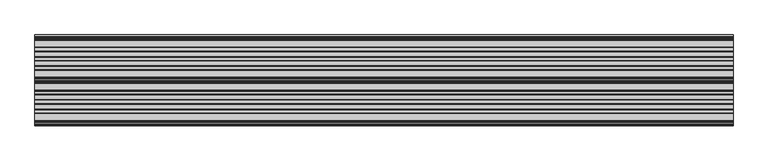
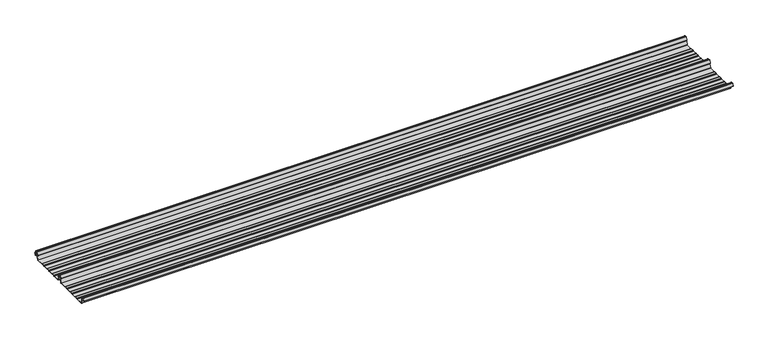
"""IFC4 building model written with IfcOpenShell, lengths in millimetres: beam geometry."""

from ifc_helpers import new_model, si_unit, point, frame, frame_2d, origin, place, context, project, spatial, polyline, circle_curve, trimmed, segment, composite_curve, outline, extrude, source, transform, mapped, element, save


def beam_9561e474(model_context):
    return source(origin(), model_context, "Body", "SweptSolid", [
        extrude(outline(composite_curve([segment(trimmed(circle_curve(frame_2d((-231.1362436, -24.0396475)), 1.75), [point((-231.1362436, -25.7896475))], [point((-232.7807057, -24.6381827))], False, "CARTESIAN"), True, "CONTINUOUS"), segment(polyline([(-232.7807057, -24.6381827), (-241.6888002, -2.1633943)]), True, "CONTINUOUS"), segment(trimmed(circle_curve(frame_2d((-240.0443381, -1.5648591)), 1.75), [point((-241.6888002, -2.1633943))], [point((-240.4972714, 0.1255111))], False, "CARTESIAN"), True, "CONTINUOUS"), segment(polyline([(-240.4972714, 0.1255111), (-237.8419476, 0.837003)]), True, "CONTINUOUS"), segment(trimmed(circle_curve(frame_2d((-238.1654714, 2.0444103)), 1.25), [point((-237.8419476, 0.837003))], [point((-236.9908556, 2.4719355))], True, "CARTESIAN"), True, "CONTINUOUS"), segment(polyline([(-236.9908556, 2.4719355), (-243.8110817, 21.2103525), (-250.0, 21.2103525), (-256.1889183, 21.2103525), (-263.0091444, 2.4719355)]), True, "CONTINUOUS"), segment(trimmed(circle_curve(frame_2d((-261.8345286, 2.0444103)), 1.25), [point((-263.0091444, 2.4719355))], [point((-262.1580524, 0.837003))], True, "CARTESIAN"), True, "CONTINUOUS"), segment(polyline([(-262.1580524, 0.837003), (-259.5027286, 0.1255111)]), True, "CONTINUOUS"), segment(trimmed(circle_curve(frame_2d((-259.9556619, -1.5648591)), 1.75), [point((-259.5027286, 0.1255111))], [point((-258.3111998, -2.1633943))], False, "CARTESIAN"), True, "CONTINUOUS"), segment(polyline([(-258.3111998, -2.1633943), (-267.2192943, -24.6381827)]), True, "CONTINUOUS"), segment(trimmed(circle_curve(frame_2d((-268.8637564, -24.0396475)), 1.75), [point((-267.2192943, -24.6381827))], [point((-268.8637564, -25.7896475))], False, "CARTESIAN"), True, "CONTINUOUS"), segment(polyline([(-268.8637564, -25.7896475), (-307.3786797, -25.7896475)]), True, "CONTINUOUS"), segment(trimmed(circle_curve(frame_2d((-307.3786797, -24.0396475)), 1.75), [point((-307.3786797, -25.7896475))], [point((-308.6161165, -25.2770843))], False, "CARTESIAN"), True, "CONTINUOUS"), segment(polyline([(-308.6161165, -25.2770843), (-310.7788845, -23.1143163)]), True, "CONTINUOUS"), segment(trimmed(circle_curve(frame_2d((-311.5627045, -23.8981363)), 1.1084889), [point((-310.7788845, -23.1143163))], [point((-311.5627045, -22.7896475))], True, "CARTESIAN"), True, "CONTINUOUS"), segment(polyline([(-311.5627045, -22.7896475), (-330.4372955, -22.7896475)]), True, "CONTINUOUS"), segment(trimmed(circle_curve(frame_2d((-330.4372955, -23.8981363)), 1.1084889), [point((-330.4372955, -22.7896475))], [point((-331.2211155, -23.1143163))], True, "CARTESIAN"), True, "CONTINUOUS"), segment(polyline([(-331.2211155, -23.1143163), (-333.3838835, -25.2770843)]), True, "CONTINUOUS"), segment(trimmed(circle_curve(frame_2d((-334.6213203, -24.0396475)), 1.75), [point((-333.3838835, -25.2770843))], [point((-334.6213203, -25.7896475))], False, "CARTESIAN"), True, "CONTINUOUS"), segment(polyline([(-334.6213203, -25.7896475), (-361.3786797, -25.7896475)]), True, "CONTINUOUS"), segment(trimmed(circle_curve(frame_2d((-361.3786797, -24.0396475)), 1.75), [point((-361.3786797, -25.7896475))], [point((-362.6161165, -25.2770843))], False, "CARTESIAN"), True, "CONTINUOUS"), segment(polyline([(-362.6161165, -25.2770843), (-364.7788845, -23.1143163)]), True, "CONTINUOUS"), segment(trimmed(circle_curve(frame_2d((-365.5627045, -23.8981363)), 1.1084889), [point((-364.7788845, -23.1143163))], [point((-365.5627045, -22.7896475))], True, "CARTESIAN"), True, "CONTINUOUS"), segment(polyline([(-365.5627045, -22.7896475), (-384.4372955, -22.7896475)]), True, "CONTINUOUS"), segment(trimmed(circle_curve(frame_2d((-384.4372955, -23.8981363)), 1.1084889), [point((-384.4372955, -22.7896475))], [point((-385.2211155, -23.1143163))], True, "CARTESIAN"), True, "CONTINUOUS"), segment(polyline([(-385.2211155, -23.1143163), (-387.3838835, -25.2770843)]), True, "CONTINUOUS"), segment(trimmed(circle_curve(frame_2d((-388.6213203, -24.0396475)), 1.75), [point((-387.3838835, -25.2770843))], [point((-388.6213203, -25.7896475))], False, "CARTESIAN"), True, "CONTINUOUS"), segment(polyline([(-388.6213203, -25.7896475), (-415.3786797, -25.7896475)]), True, "CONTINUOUS"), segment(trimmed(circle_curve(frame_2d((-415.3786797, -24.0396475)), 1.75), [point((-415.3786797, -25.7896475))], [point((-416.6161165, -25.2770843))], False, "CARTESIAN"), True, "CONTINUOUS"), segment(polyline([(-416.6161165, -25.2770843), (-418.7788845, -23.1143163)]), True, "CONTINUOUS"), segment(trimmed(circle_curve(frame_2d((-419.5627045, -23.8981363)), 1.1084889), [point((-418.7788845, -23.1143163))], [point((-419.5627045, -22.7896475))], True, "CARTESIAN"), True, "CONTINUOUS"), segment(polyline([(-419.5627045, -22.7896475), (-438.4372955, -22.7896475)]), True, "CONTINUOUS"), segment(trimmed(circle_curve(frame_2d((-438.4372955, -23.8981363)), 1.1084889), [point((-438.4372955, -22.7896475))], [point((-439.2211155, -23.1143163))], True, "CARTESIAN"), True, "CONTINUOUS"), segment(polyline([(-439.2211155, -23.1143163), (-441.3838835, -25.2770843)]), True, "CONTINUOUS"), segment(trimmed(circle_curve(frame_2d((-442.6213203, -24.0396475)), 1.75), [point((-441.3838835, -25.2770843))], [point((-442.6213203, -25.7896475))], False, "CARTESIAN"), True, "CONTINUOUS"), segment(polyline([(-442.6213203, -25.7896475), (-483.287616, -25.7896475)]), True, "CONTINUOUS"), segment(trimmed(circle_curve(frame_2d((-483.287616, -24.0396475)), 1.75), [point((-483.287616, -25.7896475))], [point((-484.8955882, -24.7302452))], False, "CARTESIAN"), True, "CONTINUOUS"), segment(polyline([(-484.8955882, -24.7302452), (-493.5565428, -2.8789816)]), True, "CONTINUOUS"), segment(trimmed(circle_curve(frame_2d((-490.0443381, -1.5648591)), 3.75), [point((-493.5565428, -2.8789816))], [point((-490.3464639, 2.1729504))], False, "CARTESIAN"), True, "CONTINUOUS"), segment(trimmed(circle_curve(frame_2d((-490.426413, 3.162057)), 0.9923325), [point((-490.3464639, 2.1729504))], [point((-489.4939255, 3.5014547))], True, "CARTESIAN"), True, "CONTINUOUS"), segment(polyline([(-489.4939255, 3.5014547), (-494.9720116, 18.5523727)]), True, "CONTINUOUS"), segment(trimmed(circle_curve(frame_2d((-495.9117043, 18.2103525)), 1.0), [point((-494.9720116, 18.5523727))], [point((-495.9117043, 19.2103525))], True, "CARTESIAN"), True, "CONTINUOUS"), segment(polyline([(-495.9117043, 19.2103525), (-504.0882957, 19.2103525)]), True, "CONTINUOUS"), segment(trimmed(circle_curve(frame_2d((-504.0882957, 18.2103525)), 1.0), [point((-504.0882957, 19.2103525))], [point((-505.0279884, 18.5523727))], True, "CARTESIAN"), True, "CONTINUOUS"), segment(polyline([(-505.0279884, 18.5523727), (-510.4799156, 3.5733257)]), True, "CONTINUOUS"), segment(trimmed(circle_curve(frame_2d((-510.9497619, 3.7443357)), 0.5), [point((-510.4799156, 3.5733257))], [point((-511.4196082, 3.9153458))], False, "CARTESIAN"), True, "CONTINUOUS"), segment(polyline([(-511.4196082, 3.9153458), (-505.967681, 18.8943928)]), True, "CONTINUOUS"), segment(trimmed(circle_curve(frame_2d((-504.0882957, 18.2103525)), 2.0), [point((-505.967681, 18.8943928))], [point((-504.0882957, 20.2103525))], False, "CARTESIAN"), True, "CONTINUOUS"), segment(polyline([(-504.0882957, 20.2103525), (-495.9117043, 20.2103525)]), True, "CONTINUOUS"), segment(trimmed(circle_curve(frame_2d((-495.9117043, 18.2103525)), 2.0), [point((-495.9117043, 20.2103525))], [point((-494.032319, 18.8943928))], False, "CARTESIAN"), True, "CONTINUOUS"), segment(polyline([(-494.032319, 18.8943928), (-488.5542329, 3.8434749)]), True, "CONTINUOUS"), segment(trimmed(circle_curve(frame_2d((-490.426413, 3.162057)), 1.9923325), [point((-488.5542329, 3.8434749))], [point((-490.265897, 1.1762012))], False, "CARTESIAN"), True, "CONTINUOUS"), segment(trimmed(circle_curve(frame_2d((-490.0443381, -1.5648591)), 2.75), [point((-490.265897, 1.1762012))], [point((-492.6230664, -2.5201915))], True, "CARTESIAN"), True, "CONTINUOUS"), segment(polyline([(-492.6230664, -2.5201915), (-483.9722515, -24.3458733)]), True, "CONTINUOUS"), segment(trimmed(circle_curve(frame_2d((-483.287616, -24.0396475)), 0.75), [point((-483.9722515, -24.3458733))], [point((-483.287616, -24.7896475))], True, "CARTESIAN"), True, "CONTINUOUS"), segment(polyline([(-483.287616, -24.7896475), (-442.7420401, -24.7896475)]), True, "CONTINUOUS"), segment(trimmed(circle_curve(frame_2d((-442.7420401, -23.7482041)), 1.0414433), [point((-442.7420401, -24.7896475))], [point((-442.0056285, -24.4846158))], True, "CARTESIAN"), True, "CONTINUOUS"), segment(polyline([(-442.0056285, -24.4846158), (-439.9696699, -22.4486572)]), True, "CONTINUOUS"), segment(trimmed(circle_curve(frame_2d((-438.3786797, -24.0396475)), 2.25), [point((-439.9696699, -22.4486572))], [point((-438.3786797, -21.7896475))], False, "CARTESIAN"), True, "CONTINUOUS"), segment(polyline([(-438.3786797, -21.7896475), (-419.6213203, -21.7896475)]), True, "CONTINUOUS"), segment(trimmed(circle_curve(frame_2d((-419.6213203, -24.0396475)), 2.25), [point((-419.6213203, -21.7896475))], [point((-418.0303301, -22.4486572))], False, "CARTESIAN"), True, "CONTINUOUS"), segment(polyline([(-418.0303301, -22.4486572), (-415.9943715, -24.4846158)]), True, "CONTINUOUS"), segment(trimmed(circle_curve(frame_2d((-415.2579599, -23.7482041)), 1.0414433), [point((-415.9943715, -24.4846158))], [point((-415.2579599, -24.7896475))], True, "CARTESIAN"), True, "CONTINUOUS"), segment(polyline([(-415.2579599, -24.7896475), (-388.7420401, -24.7896475)]), True, "CONTINUOUS"), segment(trimmed(circle_curve(frame_2d((-388.7420401, -23.7482041)), 1.0414433), [point((-388.7420401, -24.7896475))], [point((-388.0056285, -24.4846158))], True, "CARTESIAN"), True, "CONTINUOUS"), segment(polyline([(-388.0056285, -24.4846158), (-385.9696699, -22.4486572)]), True, "CONTINUOUS"), segment(trimmed(circle_curve(frame_2d((-384.3786797, -24.0396475)), 2.25), [point((-385.9696699, -22.4486572))], [point((-384.3786797, -21.7896475))], False, "CARTESIAN"), True, "CONTINUOUS"), segment(polyline([(-384.3786797, -21.7896475), (-365.6213203, -21.7896475)]), True, "CONTINUOUS"), segment(trimmed(circle_curve(frame_2d((-365.6213203, -24.0396475)), 2.25), [point((-365.6213203, -21.7896475))], [point((-364.0303301, -22.4486572))], False, "CARTESIAN"), True, "CONTINUOUS"), segment(polyline([(-364.0303301, -22.4486572), (-361.9943715, -24.4846158)]), True, "CONTINUOUS"), segment(trimmed(circle_curve(frame_2d((-361.2579599, -23.7482041)), 1.0414433), [point((-361.9943715, -24.4846158))], [point((-361.2579599, -24.7896475))], True, "CARTESIAN"), True, "CONTINUOUS"), segment(polyline([(-361.2579599, -24.7896475), (-334.7420401, -24.7896475)]), True, "CONTINUOUS"), segment(trimmed(circle_curve(frame_2d((-334.7420401, -23.7482041)), 1.0414433), [point((-334.7420401, -24.7896475))], [point((-334.0056285, -24.4846158))], True, "CARTESIAN"), True, "CONTINUOUS"), segment(polyline([(-334.0056285, -24.4846158), (-331.9696699, -22.4486572)]), True, "CONTINUOUS"), segment(trimmed(circle_curve(frame_2d((-330.3786797, -24.0396475)), 2.25), [point((-331.9696699, -22.4486572))], [point((-330.3786797, -21.7896475))], False, "CARTESIAN"), True, "CONTINUOUS"), segment(polyline([(-330.3786797, -21.7896475), (-311.6213203, -21.7896475)]), True, "CONTINUOUS"), segment(trimmed(circle_curve(frame_2d((-311.6213203, -24.0396475)), 2.25), [point((-311.6213203, -21.7896475))], [point((-310.0303301, -22.4486572))], False, "CARTESIAN"), True, "CONTINUOUS"), segment(polyline([(-310.0303301, -22.4486572), (-307.9943715, -24.4846158)]), True, "CONTINUOUS"), segment(trimmed(circle_curve(frame_2d((-307.2579599, -23.7482041)), 1.0414433), [point((-307.9943715, -24.4846158))], [point((-307.2579599, -24.7896475))], True, "CARTESIAN"), True, "CONTINUOUS"), segment(polyline([(-307.2579599, -24.7896475), (-268.8637564, -24.7896475)]), True, "CONTINUOUS"), segment(trimmed(circle_curve(frame_2d((-268.8637564, -24.0396475)), 0.75), [point((-268.8637564, -24.7896475))], [point((-268.1552359, -24.2856122))], True, "CARTESIAN"), True, "CONTINUOUS"), segment(polyline([(-268.1552359, -24.2856122), (-259.2471414, -1.8108238)]), True, "CONTINUOUS"), segment(trimmed(circle_curve(frame_2d((-259.9556619, -1.5648591)), 0.75), [point((-259.2471414, -1.8108238))], [point((-259.7615476, -0.8404147))], True, "CARTESIAN"), True, "CONTINUOUS"), segment(polyline([(-259.7615476, -0.8404147), (-262.4168715, -0.1289228)]), True, "CONTINUOUS"), segment(trimmed(circle_curve(frame_2d((-261.8345286, 2.0444103)), 2.25), [point((-262.4168715, -0.1289228))], [point((-263.948837, 2.8139556))], False, "CARTESIAN"), True, "CONTINUOUS"), segment(polyline([(-263.948837, 2.8139556), (-257.1273286, 21.5558959)]), True, "CONTINUOUS"), segment(trimmed(circle_curve(frame_2d((-256.1926676, 21.2157071)), 0.9946455), [point((-257.1273286, 21.5558959))], [point((-256.1926676, 22.2103525))], False, "CARTESIAN"), True, "CONTINUOUS"), segment(polyline([(-256.1926676, 22.2103525), (-250.0, 22.2103525), (-243.8073324, 22.2103525)]), True, "CONTINUOUS"), segment(trimmed(circle_curve(frame_2d((-243.8073324, 21.2157071)), 0.9946455), [point((-243.8073324, 22.2103525))], [point((-242.8726714, 21.5558959))], False, "CARTESIAN"), True, "CONTINUOUS"), segment(polyline([(-242.8726714, 21.5558959), (-236.051163, 2.8139556)]), True, "CONTINUOUS"), segment(trimmed(circle_curve(frame_2d((-238.1654714, 2.0444103)), 2.25), [point((-236.051163, 2.8139556))], [point((-237.5831285, -0.1289228))], False, "CARTESIAN"), True, "CONTINUOUS"), segment(polyline([(-237.5831285, -0.1289228), (-240.2384524, -0.8404147)]), True, "CONTINUOUS"), segment(trimmed(circle_curve(frame_2d((-240.0443381, -1.5648591)), 0.75), [point((-240.2384524, -0.8404147))], [point((-240.7528586, -1.8108238))], True, "CARTESIAN"), True, "CONTINUOUS"), segment(polyline([(-240.7528586, -1.8108238), (-231.8447641, -24.2856122)]), True, "CONTINUOUS"), segment(trimmed(circle_curve(frame_2d((-231.1362436, -24.0396475)), 0.75), [point((-231.8447641, -24.2856122))], [point((-231.1362436, -24.7896475))], True, "CARTESIAN"), True, "CONTINUOUS"), segment(polyline([(-231.1362436, -24.7896475), (-192.7420401, -24.7896475)]), True, "CONTINUOUS"), segment(trimmed(circle_curve(frame_2d((-192.7420401, -23.7482041)), 1.0414433), [point((-192.7420401, -24.7896475))], [point((-192.0056285, -24.4846158))], True, "CARTESIAN"), True, "CONTINUOUS"), segment(polyline([(-192.0056285, -24.4846158), (-189.9696699, -22.4486572)]), True, "CONTINUOUS"), segment(trimmed(circle_curve(frame_2d((-188.3786797, -24.0396475)), 2.25), [point((-189.9696699, -22.4486572))], [point((-188.3786797, -21.7896475))], False, "CARTESIAN"), True, "CONTINUOUS"), segment(polyline([(-188.3786797, -21.7896475), (-169.6213203, -21.7896475)]), True, "CONTINUOUS"), segment(trimmed(circle_curve(frame_2d((-169.6213203, -24.0396475)), 2.25), [point((-169.6213203, -21.7896475))], [point((-168.0303301, -22.4486572))], False, "CARTESIAN"), True, "CONTINUOUS"), segment(polyline([(-168.0303301, -22.4486572), (-165.9943715, -24.4846158)]), True, "CONTINUOUS"), segment(trimmed(circle_curve(frame_2d((-165.2579599, -23.7482041)), 1.0414433), [point((-165.9943715, -24.4846158))], [point((-165.2579599, -24.7896475))], True, "CARTESIAN"), True, "CONTINUOUS"), segment(polyline([(-165.2579599, -24.7896475), (-138.7420401, -24.7896475)]), True, "CONTINUOUS"), segment(trimmed(circle_curve(frame_2d((-138.7420401, -23.7482041)), 1.0414433), [point((-138.7420401, -24.7896475))], [point((-138.0056285, -24.4846158))], True, "CARTESIAN"), True, "CONTINUOUS"), segment(polyline([(-138.0056285, -24.4846158), (-135.9696699, -22.4486572)]), True, "CONTINUOUS"), segment(trimmed(circle_curve(frame_2d((-134.3786797, -24.0396475)), 2.25), [point((-135.9696699, -22.4486572))], [point((-134.3786797, -21.7896475))], False, "CARTESIAN"), True, "CONTINUOUS"), segment(polyline([(-134.3786797, -21.7896475), (-115.6213203, -21.7896475)]), True, "CONTINUOUS"), segment(trimmed(circle_curve(frame_2d((-115.6213203, -24.0396475)), 2.25), [point((-115.6213203, -21.7896475))], [point((-114.0303301, -22.4486572))], False, "CARTESIAN"), True, "CONTINUOUS"), segment(polyline([(-114.0303301, -22.4486572), (-111.9943715, -24.4846158)]), True, "CONTINUOUS"), segment(trimmed(circle_curve(frame_2d((-111.2579599, -23.7482041)), 1.0414433), [point((-111.9943715, -24.4846158))], [point((-111.2579599, -24.7896475))], True, "CARTESIAN"), True, "CONTINUOUS"), segment(polyline([(-111.2579599, -24.7896475), (-84.7420401, -24.7896475)]), True, "CONTINUOUS"), segment(trimmed(circle_curve(frame_2d((-84.7420401, -23.7482041)), 1.0414433), [point((-84.7420401, -24.7896475))], [point((-84.0056285, -24.4846158))], True, "CARTESIAN"), True, "CONTINUOUS"), segment(polyline([(-84.0056285, -24.4846158), (-81.9696699, -22.4486572)]), True, "CONTINUOUS"), segment(trimmed(circle_curve(frame_2d((-80.3786797, -24.0396475)), 2.25), [point((-81.9696699, -22.4486572))], [point((-80.3786797, -21.7896475))], False, "CARTESIAN"), True, "CONTINUOUS"), segment(polyline([(-80.3786797, -21.7896475), (-61.6213203, -21.7896475)]), True, "CONTINUOUS"), segment(trimmed(circle_curve(frame_2d((-61.6213203, -24.0396475)), 2.25), [point((-61.6213203, -21.7896475))], [point((-60.0303301, -22.4486572))], False, "CARTESIAN"), True, "CONTINUOUS"), segment(polyline([(-60.0303301, -22.4486572), (-57.9943715, -24.4846158)]), True, "CONTINUOUS"), segment(trimmed(circle_curve(frame_2d((-57.2579599, -23.7482041)), 1.0414433), [point((-57.9943715, -24.4846158))], [point((-57.2579599, -24.7896475))], True, "CARTESIAN"), True, "CONTINUOUS"), segment(polyline([(-57.2579599, -24.7896475), (-18.8637564, -24.7896475)]), True, "CONTINUOUS"), segment(trimmed(circle_curve(frame_2d((-18.8637564, -24.0396475)), 0.75), [point((-18.8637564, -24.7896475))], [point((-18.1552359, -24.2856122))], True, "CARTESIAN"), True, "CONTINUOUS"), segment(polyline([(-18.1552359, -24.2856122), (-9.2471414, -1.8108238)]), True, "CONTINUOUS"), segment(trimmed(circle_curve(frame_2d((-9.9556619, -1.5648591)), 0.75), [point((-9.2471414, -1.8108238))], [point((-9.7615476, -0.8404147))], True, "CARTESIAN"), True, "CONTINUOUS"), segment(polyline([(-9.7615476, -0.8404147), (-12.4168715, -0.1289228)]), True, "CONTINUOUS"), segment(trimmed(circle_curve(frame_2d((-11.8345286, 2.0444103)), 2.25), [point((-12.4168715, -0.1289228))], [point((-13.948837, 2.8139556))], False, "CARTESIAN"), True, "CONTINUOUS"), segment(polyline([(-13.948837, 2.8139556), (-7.1273286, 21.5558959)]), True, "CONTINUOUS"), segment(trimmed(circle_curve(frame_2d((-6.1926676, 21.2157071)), 0.9946455), [point((-7.1273286, 21.5558959))], [point((-6.1926676, 22.2103525))], False, "CARTESIAN"), True, "CONTINUOUS"), segment(polyline([(-6.1926676, 22.2103525), (0.0, 22.2103525), (6.1926676, 22.2103525)]), True, "CONTINUOUS"), segment(trimmed(circle_curve(frame_2d((6.1926676, 21.2157071)), 0.9946455), [point((6.1926676, 22.2103525))], [point((7.1273286, 21.5558959))], False, "CARTESIAN"), True, "CONTINUOUS"), segment(polyline([(7.1273286, 21.5558959), (13.948837, 2.8139556)]), True, "CONTINUOUS"), segment(trimmed(circle_curve(frame_2d((11.8345286, 2.0444103)), 2.25), [point((13.948837, 2.8139556))], [point((12.4168715, -0.1289228))], False, "CARTESIAN"), True, "CONTINUOUS"), segment(polyline([(12.4168715, -0.1289228), (9.7615476, -0.8404147)]), True, "CONTINUOUS"), segment(trimmed(circle_curve(frame_2d((9.9556619, -1.5648591)), 0.75), [point((9.7615476, -0.8404147))], [point((9.2471414, -1.8108238))], True, "CARTESIAN"), True, "CONTINUOUS"), segment(polyline([(9.2471414, -1.8108238), (12.5127954, -10.0499465)]), True, "CONTINUOUS"), segment(trimmed(circle_curve(frame_2d((12.0479758, -10.2341821)), 0.5), [point((12.5127954, -10.0499465))], [point((11.5831563, -10.4184177))], False, "CARTESIAN"), True, "CONTINUOUS"), segment(polyline([(11.5831563, -10.4184177), (8.3111998, -2.1633943)]), True, "CONTINUOUS"), segment(trimmed(circle_curve(frame_2d((9.9556619, -1.5648591)), 1.75), [point((8.3111998, -2.1633943))], [point((9.5027286, 0.1255111))], False, "CARTESIAN"), True, "CONTINUOUS"), segment(polyline([(9.5027286, 0.1255111), (12.1580524, 0.837003)]), True, "CONTINUOUS"), segment(trimmed(circle_curve(frame_2d((11.8345286, 2.0444103)), 1.25), [point((12.1580524, 0.837003))], [point((13.0091444, 2.4719355))], True, "CARTESIAN"), True, "CONTINUOUS"), segment(polyline([(13.0091444, 2.4719355), (6.1889183, 21.2103525), (0.0, 21.2103525), (-6.1889183, 21.2103525), (-13.0091444, 2.4719355)]), True, "CONTINUOUS"), segment(trimmed(circle_curve(frame_2d((-11.8345286, 2.0444103)), 1.25), [point((-13.0091444, 2.4719355))], [point((-12.1580524, 0.837003))], True, "CARTESIAN"), True, "CONTINUOUS"), segment(polyline([(-12.1580524, 0.837003), (-9.5027286, 0.1255111)]), True, "CONTINUOUS"), segment(trimmed(circle_curve(frame_2d((-9.9556619, -1.5648591)), 1.75), [point((-9.5027286, 0.1255111))], [point((-8.3111998, -2.1633943))], False, "CARTESIAN"), True, "CONTINUOUS"), segment(polyline([(-8.3111998, -2.1633943), (-17.2192943, -24.6381827)]), True, "CONTINUOUS"), segment(trimmed(circle_curve(frame_2d((-18.8637564, -24.0396475)), 1.75), [point((-17.2192943, -24.6381827))], [point((-18.8637564, -25.7896475))], False, "CARTESIAN"), True, "CONTINUOUS"), segment(polyline([(-18.8637564, -25.7896475), (-57.3786797, -25.7896475)]), True, "CONTINUOUS"), segment(trimmed(circle_curve(frame_2d((-57.3786797, -24.0396475)), 1.75), [point((-57.3786797, -25.7896475))], [point((-58.6161165, -25.2770843))], False, "CARTESIAN"), True, "CONTINUOUS"), segment(polyline([(-58.6161165, -25.2770843), (-60.7788845, -23.1143163)]), True, "CONTINUOUS"), segment(trimmed(circle_curve(frame_2d((-61.5627045, -23.8981363)), 1.1084889), [point((-60.7788845, -23.1143163))], [point((-61.5627045, -22.7896475))], True, "CARTESIAN"), True, "CONTINUOUS"), segment(polyline([(-61.5627045, -22.7896475), (-80.4372955, -22.7896475)]), True, "CONTINUOUS"), segment(trimmed(circle_curve(frame_2d((-80.4372955, -23.8981363)), 1.1084889), [point((-80.4372955, -22.7896475))], [point((-81.2211155, -23.1143163))], True, "CARTESIAN"), True, "CONTINUOUS"), segment(polyline([(-81.2211155, -23.1143163), (-83.3838835, -25.2770843)]), True, "CONTINUOUS"), segment(trimmed(circle_curve(frame_2d((-84.6213203, -24.0396475)), 1.75), [point((-83.3838835, -25.2770843))], [point((-84.6213203, -25.7896475))], False, "CARTESIAN"), True, "CONTINUOUS"), segment(polyline([(-84.6213203, -25.7896475), (-111.3786797, -25.7896475)]), True, "CONTINUOUS"), segment(trimmed(circle_curve(frame_2d((-111.3786797, -24.0396475)), 1.75), [point((-111.3786797, -25.7896475))], [point((-112.6161165, -25.2770843))], False, "CARTESIAN"), True, "CONTINUOUS"), segment(polyline([(-112.6161165, -25.2770843), (-114.7788845, -23.1143163)]), True, "CONTINUOUS"), segment(trimmed(circle_curve(frame_2d((-115.5627045, -23.8981363)), 1.1084889), [point((-114.7788845, -23.1143163))], [point((-115.5627045, -22.7896475))], True, "CARTESIAN"), True, "CONTINUOUS"), segment(polyline([(-115.5627045, -22.7896475), (-134.4372955, -22.7896475)]), True, "CONTINUOUS"), segment(trimmed(circle_curve(frame_2d((-134.4372955, -23.8981363)), 1.1084889), [point((-134.4372955, -22.7896475))], [point((-135.2211155, -23.1143163))], True, "CARTESIAN"), True, "CONTINUOUS"), segment(polyline([(-135.2211155, -23.1143163), (-137.3838835, -25.2770843)]), True, "CONTINUOUS"), segment(trimmed(circle_curve(frame_2d((-138.6213203, -24.0396475)), 1.75), [point((-137.3838835, -25.2770843))], [point((-138.6213203, -25.7896475))], False, "CARTESIAN"), True, "CONTINUOUS"), segment(polyline([(-138.6213203, -25.7896475), (-165.3786797, -25.7896475)]), True, "CONTINUOUS"), segment(trimmed(circle_curve(frame_2d((-165.3786797, -24.0396475)), 1.75), [point((-165.3786797, -25.7896475))], [point((-166.6161165, -25.2770843))], False, "CARTESIAN"), True, "CONTINUOUS"), segment(polyline([(-166.6161165, -25.2770843), (-168.7788845, -23.1143163)]), True, "CONTINUOUS"), segment(trimmed(circle_curve(frame_2d((-169.5627045, -23.8981363)), 1.1084889), [point((-168.7788845, -23.1143163))], [point((-169.5627045, -22.7896475))], True, "CARTESIAN"), True, "CONTINUOUS"), segment(polyline([(-169.5627045, -22.7896475), (-188.4372955, -22.7896475)]), True, "CONTINUOUS"), segment(trimmed(circle_curve(frame_2d((-188.4372955, -23.8981363)), 1.1084889), [point((-188.4372955, -22.7896475))], [point((-189.2211155, -23.1143163))], True, "CARTESIAN"), True, "CONTINUOUS"), segment(polyline([(-189.2211155, -23.1143163), (-191.3838835, -25.2770843)]), True, "CONTINUOUS"), segment(trimmed(circle_curve(frame_2d((-192.6213203, -24.0396475)), 1.75), [point((-191.3838835, -25.2770843))], [point((-192.6213203, -25.7896475))], False, "CARTESIAN"), True, "CONTINUOUS"), segment(polyline([(-192.6213203, -25.7896475), (-231.1362436, -25.7896475)]), True, "CONTINUOUS")], self_intersect=False)), frame((-2021.3808504, 0.0, 0.0), z_axis=(1.0, 0.0, 0.0), x_axis=(0.0, 1.0, 0.0)), (0.0, 0.0, 1.0), 4042.7617008),
    ])


if __name__ == "__main__":
    model = new_model("IFC4")
    model_context = context("Model", 3, world=origin())
    ifc_project = project(units=[si_unit("LENGTHUNIT", "METRE", prefix="MILLI")], contexts=[model_context])
    site = spatial("IfcSite", under=ifc_project)
    building = spatial("IfcBuilding", under=site)
    placement = place(None, origin())
    beam_shape = beam_9561e474(model_context)
    element("IfcBeam", 1, at=placement, inside=building, context=model_context, shape_type="MappedRepresentation", body=[
        mapped(beam_shape, transform((0.0, 0.0, 0.0), x_axis=(1.0, 0.0, 0.0), y_axis=(0.0, 1.0, 0.0), z_axis=(0.0, 0.0, 1.0))),
    ])
    save(model, "model.ifc")
